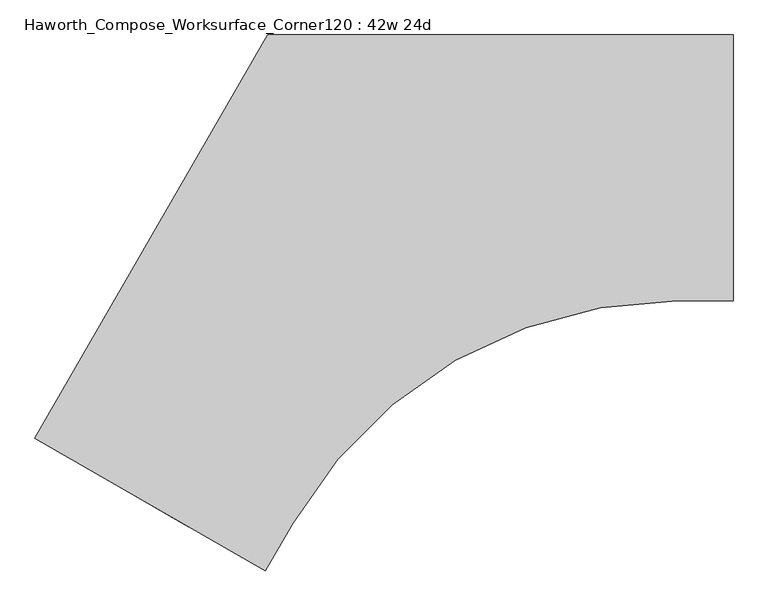
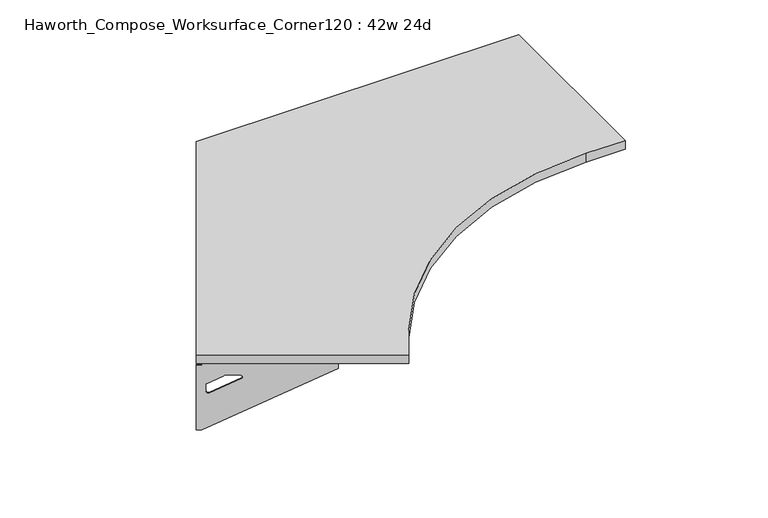
"""IFC4 building model written with IfcOpenShell, lengths in millimetres: furniture geometry, Haworth_Compose_Worksurface_Corner120 : 42w 24d."""

import ifcopenshell
import ifcopenshell.guid

model = None  # the IFC model being written
_history = None  # IfcOwnerHistory: only IFC2X3 demands one
_inside = {}  # id of a spatial element -> (the spatial element, [elements in it])
_under = {}  # id of a project, library or spatial element -> (it, [spatial elements below it])
_declared = {}  # id of a project -> (the project, [libraries it declares])
_typed = {}  # id of a type object -> (the type object, [elements of that type])
_made_of = {}  # id of a material, layer set ... -> (it, [elements and type objects made of it])


def new_model(schema):
    """Start an empty IFC model of exactly this schema.

    Asked for "IFC4X3", IfcOpenShell would pick the latest addendum, in which some entities
    have other attributes; the version numbers below select the first issue.
    IFC2X3 requires an IfcOwnerHistory on every rooted entity: one is made here for all.
    """
    global model, _history
    if schema == "IFC4X3":
        model = ifcopenshell.file(schema_version=(4, 3, 0, 0))
    else:
        model = ifcopenshell.file(schema=schema)
    _inside.clear()
    _under.clear()
    _declared.clear()
    _typed.clear()
    _made_of.clear()
    _history = None
    if model.schema == "IFC2X3":
        org = make("IfcOrganization", Name="unknown")
        user = make(
            "IfcPersonAndOrganization",
            ThePerson=make("IfcPerson", FamilyName="unknown"),
            TheOrganization=org,
        )
        app = make(
            "IfcApplication",
            ApplicationDeveloper=org,
            Version="unknown",
            ApplicationFullName="unknown",
            ApplicationIdentifier="unknown",
        )
        _history = make(
            "IfcOwnerHistory",
            OwningUser=user,
            OwningApplication=app,
            ChangeAction="ADDED",
            CreationDate=0,
        )
    return model


def make(cls, **values):
    """One entity of the class cls with the attributes given. An attribute that is None is left unset."""
    return model.create_entity(
        cls, **{name: value for name, value in values.items() if value is not None}
    )


def rooted(cls, **values):
    """An entity with a GlobalId (a new one), such as an element, a storey or a relation."""
    return make(cls, GlobalId=ifcopenshell.guid.new(), OwnerHistory=_history, **values)


def si_unit(unit_type, name, prefix=None):
    """IfcSIUnit, for example si_unit("LENGTHUNIT", "METRE", prefix="MILLI")."""
    return make("IfcSIUnit", UnitType=unit_type, Prefix=prefix, Name=name)


def assignment(units):
    """IfcUnitAssignment: the units of a project."""
    return None if units is None else make("IfcUnitAssignment", Units=units)


def point(xyz):
    """IfcCartesianPoint."""
    return None if xyz is None else make("IfcCartesianPoint", Coordinates=xyz)


def direction(xyz):
    """IfcDirection."""
    return None if xyz is None else make("IfcDirection", DirectionRatios=xyz)


def frame(location, z_axis=None, x_axis=None):
    """IfcAxis2Placement3D, a coordinate frame: its origin and axes. An axis left out is left unset."""
    return make(
        "IfcAxis2Placement3D",
        Location=point(location),
        Axis=direction(z_axis),
        RefDirection=direction(x_axis),
    )


def frame_2d(location, x_axis=None):
    """IfcAxis2Placement2D, a coordinate frame in the plane: its origin and x axis."""
    return make(
        "IfcAxis2Placement2D", Location=point(location), RefDirection=direction(x_axis)
    )


def origin():
    """The frame at (0, 0, 0) with its axes left unset."""
    return frame((0.0, 0.0, 0.0))


def place(relative_to, where):
    """IfcLocalPlacement: puts the frame where relative to a parent placement (None: the world)."""
    return make(
        "IfcLocalPlacement", PlacementRelTo=relative_to, RelativePlacement=where
    )


def context(
    kind, dimensions, precision=None, world=None, true_north=None, identifier=None
):
    """IfcGeometricRepresentationContext, for example the 3D "Model" context."""
    return make(
        "IfcGeometricRepresentationContext",
        ContextIdentifier=identifier,
        ContextType=kind,
        CoordinateSpaceDimension=dimensions,
        Precision=precision,
        WorldCoordinateSystem=world,
        TrueNorth=true_north,
    )


def project(units=None, contexts=None):
    """IfcProject with its units and contexts."""
    return rooted(
        "IfcProject",
        Name="project",
        RepresentationContexts=contexts,
        UnitsInContext=assignment(units),
    )


def spatial(cls, under=None, at=None, **own):
    """A site, building, storey or space (cls), placed at a placement, below another one or the project."""
    s = rooted(cls, ObjectPlacement=at, **own)
    if under is not None:
        _under.setdefault(under.id(), (under, []))[1].append(s)
    return s


def polyline(points):
    """IfcPolyline through the points."""
    return make("IfcPolyline", Points=[point(p) for p in points])


def circle_curve(where, radius):
    """IfcCircle in the frame where."""
    return make("IfcCircle", Position=where, Radius=radius)


def trimmed(basis, trim1, trim2, sense, master):
    """IfcTrimmedCurve: the piece of a basis curve between two trims."""
    return make(
        "IfcTrimmedCurve",
        BasisCurve=basis,
        Trim1=trim1,
        Trim2=trim2,
        SenseAgreement=sense,
        MasterRepresentation=master,
    )


def segment(curve, same_sense, transition):
    """IfcCompositeCurveSegment."""
    return make(
        "IfcCompositeCurveSegment",
        Transition=transition,
        SameSense=same_sense,
        ParentCurve=curve,
    )


def composite_curve(segments, self_intersect=None):
    """IfcCompositeCurve: segments joined end to end."""
    return make("IfcCompositeCurve", Segments=segments, SelfIntersect=self_intersect)


def outline(outer, holes=None, kind="AREA"):
    """IfcArbitraryClosedProfileDef: a profile drawn as a closed curve; with holes, ...WithVoids."""
    if holes is None:
        return make("IfcArbitraryClosedProfileDef", ProfileType=kind, OuterCurve=outer)
    return make(
        "IfcArbitraryProfileDefWithVoids",
        ProfileType=kind,
        OuterCurve=outer,
        InnerCurves=holes,
    )


def extrude(swept, where, along, depth):
    """IfcExtrudedAreaSolid: the profile swept, set in the frame where, extruded along a direction by depth."""
    return make(
        "IfcExtrudedAreaSolid",
        SweptArea=swept,
        Position=where,
        ExtrudedDirection=direction(along),
        Depth=depth,
    )


def shape(context_of_items, identifier, shape_type, items):
    """IfcShapeRepresentation: the items that make up one representation, for example the "Body"."""
    return make(
        "IfcShapeRepresentation",
        ContextOfItems=context_of_items,
        RepresentationIdentifier=identifier,
        RepresentationType=shape_type,
        Items=items,
    )


def source(mapping_origin, context_of_items, identifier, shape_type, items):
    """IfcRepresentationMap: a shape defined once, which mapped items show again and again."""
    return make(
        "IfcRepresentationMap",
        MappingOrigin=mapping_origin,
        MappedRepresentation=shape(context_of_items, identifier, shape_type, items),
    )


def transform(
    local_origin,
    x_axis=None,
    y_axis=None,
    z_axis=None,
    scale=None,
    scale2=None,
    scale3=None,
    uniform=True,
):
    """IfcCartesianTransformationOperator3D, or its non-uniform kind. x_axis, y_axis, z_axis: its Axis1, 2, 3."""
    if uniform:
        return make(
            "IfcCartesianTransformationOperator3D",
            Axis1=direction(x_axis),
            Axis2=direction(y_axis),
            LocalOrigin=point(local_origin),
            Scale=scale,
            Axis3=direction(z_axis),
        )
    return make(
        "IfcCartesianTransformationOperator3DnonUniform",
        Axis1=direction(x_axis),
        Axis2=direction(y_axis),
        LocalOrigin=point(local_origin),
        Scale=scale,
        Axis3=direction(z_axis),
        Scale2=scale2,
        Scale3=scale3,
    )


def mapped(mapping_source, mapping_target):
    """IfcMappedItem: shows the shape of a source again, moved by a transform."""
    return make(
        "IfcMappedItem", MappingSource=mapping_source, MappingTarget=mapping_target
    )


def made_of(thing, what):
    """Note that an element or type object is made of a material, layer set ...; save() writes the relation."""
    if what is not None:
        _made_of.setdefault(what.id(), (what, []))[1].append(thing)
    return thing


def element(
    cls,
    number,
    at=None,
    inside=None,
    cuts=None,
    type_object=None,
    material=None,
    context=None,
    identifier="Body",
    shape_type=None,
    held_by="IfcProductDefinitionShape",
    body=None,
    shapes=None,
    **own,
):
    """One element of the class cls, such as IfcWall. Its Tag is "e" and its number.

    at: its placement. inside: the storey or other place that contains it. cuts: it is an
    opening in that element (IfcRelVoidsElement). A single representation is given by context,
    identifier, shape_type and body (its items); several are given by shapes. held_by: the class
    of the entity that holds the representations. save() writes the other relations.
    """
    e = rooted(cls, Tag="e%d" % number, ObjectPlacement=at, **own)
    if body is not None:
        shapes = [shape(context, identifier, shape_type, body)]
    if shapes is not None:
        e.Representation = make(held_by, Representations=shapes)
    if inside is not None:
        _inside.setdefault(inside.id(), (inside, []))[1].append(e)
    if cuts is not None:
        rooted(
            "IfcRelVoidsElement", RelatingBuildingElement=cuts, RelatedOpeningElement=e
        )
    if type_object is not None:
        _typed.setdefault(type_object.id(), (type_object, []))[1].append(e)
    return made_of(e, material)


def aggregate(whole, parts):
    """IfcRelAggregates: a whole, such as a stair, and the parts it consists of."""
    return rooted("IfcRelAggregates", RelatingObject=whole, RelatedObjects=parts)


def save(model, path):
    """Write the relations noted so far, then the file.

    IfcRelAggregates (storeys below a building ...), IfcRelContainedInSpatialStructure (elements
    in a storey), IfcRelDefinesByType, IfcRelAssociatesMaterial and IfcRelDeclares: one each for
    every whole, place, type object, material and project.
    """
    for whole, parts in _under.values():
        aggregate(whole, parts)
    for where, things in _inside.values():
        rooted(
            "IfcRelContainedInSpatialStructure",
            RelatedElements=things,
            RelatingStructure=where,
        )
    for kind, things in _typed.values():
        rooted("IfcRelDefinesByType", RelatedObjects=things, RelatingType=kind)
    for what, things in _made_of.values():
        rooted("IfcRelAssociatesMaterial", RelatedObjects=things, RelatingMaterial=what)
    for by, libraries in _declared.values():
        rooted("IfcRelDeclares", RelatingContext=by, RelatedDefinitions=libraries)
    model.write(path)


def plane_surface(at):
    """IfcPlane: the flat surface through the origin of the frame at, square to its z axis."""
    return make("IfcPlane", Position=at)


def revolved_surface(curve, axis_point, axis_direction):
    """IfcSurfaceOfRevolution: the curve turned about the line through axis_point along axis_direction."""
    return make(
        "IfcSurfaceOfRevolution",
        SweptCurve=make("IfcArbitraryOpenProfileDef", ProfileType="CURVE", Curve=curve),
        AxisPosition=make("IfcAxis1Placement", Location=point(axis_point), Axis=direction(axis_direction)),
    )


def advanced_brep(points, edges, surfaces, faces):
    """IfcAdvancedBrep: a solid bounded by faces that lie on surfaces and meet in shared edges.

    An edge is (start, end): straight between two places in points (the first is 0);
    or (start, end, curve); or (start, end, curve, False) where it runs against its curve.
    A face is (place in surfaces, loops), or (place, loops, False) where it looks against
    its surface's normal. A loop lists edges by number (the first is 1), with a minus sign
    where the edge is run from its end to its start. The first loop is the outer one.
    """
    corners = [point(p) for p in points]
    vertices = [make("IfcVertexPoint", VertexGeometry=c) for c in corners]
    made = []
    for start, end, *more in edges:
        made.append(
            make(
                "IfcEdgeCurve",
                EdgeStart=vertices[start],
                EdgeEnd=vertices[end],
                EdgeGeometry=more[0] if more else make("IfcPolyline", Points=[corners[start], corners[end]]),
                SameSense=more[1] if len(more) > 1 else True,
            )
        )
    hull = []
    for where, loops, *sense in faces:
        bounds = []
        for j, loop in enumerate(loops):
            ring = [make("IfcOrientedEdge", EdgeElement=made[abs(k) - 1], Orientation=k > 0) for k in loop]
            bounds.append(
                make(
                    "IfcFaceOuterBound" if j == 0 else "IfcFaceBound",
                    Bound=make("IfcEdgeLoop", EdgeList=ring),
                    Orientation=True,
                )
            )
        hull.append(make("IfcAdvancedFace", Bounds=bounds, FaceSurface=surfaces[where], SameSense=sense[0] if sense else True))
    return make("IfcAdvancedBrep", Outer=make("IfcClosedShell", CfsFaces=hull))


def haworth_compose_worksurface_corner120_42w_24d_8da39d8a(model_context):
    return source(origin(), model_context, "Body", "SolidModel", [
        advanced_brep(
        [(302.41875, 304.8, 473.86875), (302.41875, 288.925, 473.86875), (302.41875, -101.6, 690.1317568), (302.41875, -101.6, 702.46875), (302.41875, 288.925, 702.46875), (302.41875, 304.8, 702.46875), (302.41875, 221.490072, 664.36875), (302.41875, 177.8355284, 664.36875), (302.41875, 175.1564235, 654.7830539), (302.41875, 266.8776173, 603.9901439), (302.41875, 276.225, 609.5881969), (302.41875, 276.225, 633.0985246), (302.41875, 274.4730055, 635.9367776), (302.41875, 224.5663437, 663.5738425), (304.8, 304.8, 473.86875), (304.8, 304.8, 702.46875), (304.8, 288.925, 702.46875), (304.8, 288.925, 704.85), (304.8, -101.6, 704.85), (304.8, -101.6, 690.1317568), (304.8, 288.925, 473.86875), (304.8, 221.490072, 664.36875), (304.8, 224.5663437, 663.5738425), (304.8, 274.4730055, 635.9367776), (304.8, 276.225, 633.0985246), (304.8, 276.225, 609.5881969), (304.8, 266.8776173, 603.9901439), (304.8, 175.1564235, 654.7830539), (304.8, 177.8355284, 664.36875), (263.525, -101.6, 704.85), (263.525, -101.6, 702.46875), (263.525, 288.925, 702.46875), (263.525, 288.925, 704.85)],
        [
            (0, 1),
            (1, 2),
            (2, 3),
            (3, 4),
            (4, 5),
            (5, 0),
            (6, 7),
            (7, 8, circle_curve(frame((302.41875, 177.8355284, 659.2015106), z_axis=(1.0, 0.0, 0.0), x_axis=(0.0, -1.0, 0.0)), 5.1672394)),
            (8, 9),
            (9, 10, circle_curve(frame((302.41875, 269.875, 609.5881969), z_axis=(1.0, 0.0, 0.0), x_axis=(0.0, -1.0, 0.0)), 6.35)),
            (10, 11),
            (11, 12, circle_curve(frame((302.41875, 273.05, 633.0985246), z_axis=(1.0, 0.0, 0.0), x_axis=(0.0, -1.0, 0.0)), 3.175)),
            (12, 13),
            (13, 6, circle_curve(frame((302.41875, 221.490072, 658.01875), z_axis=(1.0, 0.0, 0.0), x_axis=(0.0, -1.0, 0.0)), 6.35)),
            (14, 15),
            (15, 16),
            (16, 17),
            (17, 18),
            (18, 19),
            (19, 20),
            (20, 14),
            (21, 22, circle_curve(frame((304.8, 221.490072, 658.01875), z_axis=(-1.0, 0.0, 0.0), x_axis=(0.0, -1.0, 0.0)), 6.35)),
            (22, 23),
            (23, 24, circle_curve(frame((304.8, 273.05, 633.0985246), z_axis=(-1.0, 0.0, 0.0), x_axis=(0.0, -1.0, 0.0)), 3.175)),
            (24, 25),
            (25, 26, circle_curve(frame((304.8, 269.875, 609.5881969), z_axis=(-1.0, 0.0, 0.0), x_axis=(0.0, -1.0, 0.0)), 6.35)),
            (26, 27),
            (27, 28, circle_curve(frame((304.8, 177.8355284, 659.2015106), z_axis=(-1.0, 0.0, 0.0), x_axis=(0.0, -1.0, 0.0)), 5.1672394)),
            (28, 21),
            (4, 16),
            (15, 5),
            (14, 0),
            (20, 1),
            (19, 2),
            (18, 29),
            (29, 30),
            (30, 3),
            (6, 21),
            (28, 7),
            (9, 26),
            (25, 10),
            (24, 11),
            (23, 12),
            (27, 8),
            (31, 4),
            (30, 31),
            (32, 29),
            (17, 32),
            (31, 32),
            (22, 13),
        ],
        [
            plane_surface(frame((302.41875, 304.8, 473.86875), z_axis=(-1.0, 0.0, 0.0), x_axis=(0.0, 1.0, 0.0))),
            plane_surface(frame((304.8, 304.8, 473.86875), z_axis=(1.0, 0.0, 0.0), x_axis=(0.0, -1.0, 0.0))),
            plane_surface(frame((304.8, -101.6, 702.46875), z_axis=(0.0, 0.0, 1.0), x_axis=(-1.0, 0.0, 0.0))),
            plane_surface(frame((304.8, 304.8, 702.46875), z_axis=(0.0, 1.0, 0.0), x_axis=(-1.0, 0.0, 0.0))),
            plane_surface(frame((304.8, 304.8, 473.86875), z_axis=(0.0, 0.0, -1.0), x_axis=(-1.0, 0.0, 0.0))),
            plane_surface(frame((304.8, 288.925, 473.86875), z_axis=(0.0, -0.4844522351345575, -0.8748177135112957), x_axis=(-1.0, 0.0, 0.0))),
            plane_surface(frame((304.8, -101.6, 690.1317568), z_axis=(0.0, -1.0, 0.0), x_axis=(-1.0, 0.0, 0.0))),
            plane_surface(frame((304.8, 221.490072, 664.36875), z_axis=(0.0, 0.0, -1.0), x_axis=(-1.0, 0.0, 0.0))),
            revolved_surface(polyline([(302.41875, 263.525, 609.5881969), (304.8, 263.525, 609.5881969)]), (304.8, 269.875, 609.5881969), (-1.0, 0.0, 0.0)),
            plane_surface(frame((304.8, 276.225, 609.5881969), z_axis=(0.0, -1.0, 0.0), x_axis=(-1.0, 0.0, 0.0))),
            revolved_surface(polyline([(302.41875, 269.875, 633.0985246), (304.8, 269.875, 633.0985246)]), (304.8, 273.05, 633.0985246), (-1.0, 0.0, 0.0)),
            revolved_surface(polyline([(302.41875, 172.668289, 659.2015106), (304.8, 172.668289, 659.2015106)]), (304.8, 177.8355284, 659.2015106), (-1.0, 0.0, 0.0)),
            plane_surface(frame((304.8, 288.925, 702.46875), z_axis=(0.0, 0.0, -1.0), x_axis=(-1.0, 0.0, 0.0))),
            plane_surface(frame((304.8, 288.925, 704.85), z_axis=(0.0, 0.0, 1.0), x_axis=(1.0, 0.0, 0.0))),
            plane_surface(frame((263.525, 288.925, 704.85), z_axis=(0.0, 1.0, 0.0), x_axis=(0.0, 0.0, -1.0))),
            plane_surface(frame((263.525, -101.6, 704.85), z_axis=(-1.0, 0.0, 0.0), x_axis=(0.0, 0.0, -1.0))),
            plane_surface(frame((304.8, 175.1564235, 654.7830539), z_axis=(0.0, 0.4844522351341526, 0.8748177135115199), x_axis=(-1.0, 0.0, 0.0))),
            plane_surface(frame((304.8, 274.4730055, 635.9367776), z_axis=(0.0, -0.48445223513456226, -0.874817713511293), x_axis=(-1.0, 0.0, 0.0))),
            revolved_surface(polyline([(302.41875, 215.140072, 658.01875), (304.8, 215.140072, 658.01875)]), (304.8, 221.490072, 658.01875), (-1.0, 0.0, 0.0)),
        ],
        [
            (0, [[1, 2, 3, 4, 5, 6], [7, 8, 9, 10, 11, 12, 13, 14]]),
            (1, [[15, 16, 17, 18, 19, 20, 21], [22, 23, 24, 25, 26, 27, 28, 29]]),
            (2, [[-5, 30, -16, 31]]),
            (3, [[-31, -15, 32, -6]]),
            (4, [[-32, -21, 33, -1]]),
            (5, [[-33, -20, 34, -2]]),
            (6, [[-34, -19, 35, 36, 37, -3]]),
            (7, [[38, -29, 39, -7]]),
            (8, [[40, -26, 41, -10]]),
            (9, [[-41, -25, 42, -11]]),
            (10, [[-42, -24, 43, -12]]),
            (11, [[-39, -28, 44, -8]]),
            (12, [[45, -4, -37, 46]]),
            (13, [[47, -35, -18, 48]]),
            (14, [[-17, -30, -45, 49, -48]]),
            (15, [[-36, -47, -49, -46]]),
            (16, [[-44, -27, -40, -9]]),
            (17, [[-43, -23, 50, -13]]),
            (18, [[-50, -22, -38, -14]]),
        ],
    ),
        advanced_brep(
        [(-1294.209375, -617.0136778, 473.86875), (-1294.209375, -617.0136778, 702.46875), (-1280.4612217, -624.9511778, 702.46875), (-942.2566509, -820.2136778, 702.46875), (-942.2566509, -820.2136778, 690.1317568), (-1280.4612217, -624.9511778, 473.86875), (-1222.060861, -658.6686418, 664.36875), (-1224.7249904, -657.1305059, 663.5738425), (-1267.9454274, -632.177175, 635.9367776), (-1269.4626991, -631.3011778, 633.0985246), (-1269.4626991, -631.3011778, 609.5881969), (-1261.3676282, -635.9748691, 603.9901439), (-1181.9347443, -681.835466, 654.7830539), (-1184.2549172, -680.4959136, 664.36875), (-1295.4, -619.0759008, 473.86875), (-1281.6518467, -627.0134008, 473.86875), (-943.4472759, -822.2759008, 690.1317568), (-943.4472759, -822.2759008, 704.85), (-1281.6518467, -627.0134008, 704.85), (-1281.6518467, -627.0134008, 702.46875), (-1295.4, -619.0759008, 702.46875), (-1223.251486, -660.7308648, 664.36875), (-1185.4455422, -682.5581365, 664.36875), (-1183.1253693, -683.897689, 654.7830539), (-1262.5582532, -638.0370921, 603.9901439), (-1270.6533241, -633.3634008, 609.5881969), (-1270.6533241, -633.3634008, 633.0985246), (-1269.1360524, -634.239398, 635.9367776), (-1225.9156154, -659.1927289, 663.5738425), (-922.8097759, -786.5307022, 702.46875), (-922.8097759, -786.5307022, 704.85), (-1261.0143467, -591.2682022, 702.46875), (-1261.0143467, -591.2682022, 704.85)],
        [
            (0, 1),
            (1, 2),
            (2, 3),
            (3, 4),
            (4, 5),
            (5, 0),
            (6, 7, circle_curve(frame((-1222.060861, -658.6686418, 658.01875), z_axis=(-0.5000000000000026, -0.8660254037844374, 0.0), x_axis=(0.8660254037844372, -0.5000000000000024, 0.0)), 6.35)),
            (7, 8),
            (8, 9, circle_curve(frame((-1266.7130684, -632.8886778, 633.0985246), z_axis=(-0.5000000000000026, -0.8660254037844374, 0.0), x_axis=(0.8660254037844372, -0.5000000000000024, 0.0)), 3.175)),
            (9, 10),
            (10, 11, circle_curve(frame((-1263.9634378, -634.4761778, 609.5881969), z_axis=(-0.5000000000000026, -0.8660254037844374, 0.0), x_axis=(0.8660254037844372, -0.5000000000000024, 0.0)), 6.35)),
            (11, 12),
            (12, 13, circle_curve(frame((-1184.2549172, -680.4959136, 659.2015106), z_axis=(-0.5000000000000026, -0.8660254037844374, 0.0), x_axis=(0.8660254037844372, -0.5000000000000024, 0.0)), 5.1672394)),
            (13, 6),
            (14, 15),
            (15, 16),
            (16, 17),
            (17, 18),
            (18, 19),
            (19, 20),
            (20, 14),
            (21, 22),
            (22, 23, circle_curve(frame((-1185.4455422, -682.5581365, 659.2015106), z_axis=(0.5000000000000026, 0.8660254037844374, 0.0), x_axis=(0.8660254037844372, -0.5000000000000024, 0.0)), 5.1672394)),
            (23, 24),
            (24, 25, circle_curve(frame((-1265.1540628, -636.5384008, 609.5881969), z_axis=(0.5000000000000026, 0.8660254037844374, 0.0), x_axis=(0.8660254037844372, -0.5000000000000024, 0.0)), 6.35)),
            (25, 26),
            (26, 27, circle_curve(frame((-1267.9036934, -634.9509008, 633.0985246), z_axis=(0.5000000000000026, 0.8660254037844374, 0.0), x_axis=(0.8660254037844372, -0.5000000000000024, 0.0)), 3.175)),
            (27, 28),
            (28, 21, circle_curve(frame((-1223.251486, -660.7308648, 658.01875), z_axis=(0.5000000000000026, 0.8660254037844374, 0.0), x_axis=(0.8660254037844372, -0.5000000000000024, 0.0)), 6.35)),
            (1, 20),
            (19, 2),
            (0, 14),
            (5, 15),
            (4, 16),
            (3, 29),
            (29, 30),
            (30, 17),
            (13, 22),
            (21, 6),
            (10, 25),
            (24, 11),
            (9, 26),
            (8, 27),
            (12, 23),
            (31, 29),
            (2, 31),
            (32, 18),
            (30, 32),
            (32, 31),
            (7, 28),
        ],
        [
            plane_surface(frame((-1294.209375, -617.0136778, 473.86875), z_axis=(0.5000000000000026, 0.8660254037844373, 0.0), x_axis=(-0.8660254037844373, 0.5000000000000026, 0.0))),
            plane_surface(frame((-1295.4, -619.0759008, 473.86875), z_axis=(-0.5000000000000026, -0.8660254037844373, 0.0), x_axis=(0.8660254037844373, -0.5000000000000026, 0.0))),
            plane_surface(frame((-943.4472759, -822.2759008, 702.46875), z_axis=(0.0, 0.0, 1.0), x_axis=(0.5000000000000011, 0.866025403784438, 0.0))),
            plane_surface(frame((-1295.4, -619.0759008, 702.46875), z_axis=(-0.866025403784438, 0.5000000000000011, 0.0), x_axis=(0.5000000000000011, 0.866025403784438, 0.0))),
            plane_surface(frame((-1295.4, -619.0759008, 473.86875), z_axis=(0.0, 0.0, -1.0), x_axis=(0.5000000000000011, 0.866025403784438, 0.0))),
            plane_surface(frame((-1281.6518467, -627.0134008, 473.86875), z_axis=(0.41954794254667943, -0.24222611756727808, -0.8748177135112957), x_axis=(0.5000000000000011, 0.866025403784438, 0.0))),
            plane_surface(frame((-943.4472759, -822.2759008, 690.1317568), z_axis=(0.866025403784438, -0.5000000000000011, 0.0), x_axis=(0.5000000000000011, 0.866025403784438, 0.0))),
            plane_surface(frame((-1223.251486, -660.7308648, 664.36875), z_axis=(0.0, 0.0, -1.0), x_axis=(0.5000000000000011, 0.866025403784438, 0.0))),
            revolved_surface(polyline([(-1258.46417645195, -637.6511777483158, 609.5881969), (-1259.6548014859688, -639.7134008, 609.5881969)]), (-1265.1540628, -636.5384008, 609.5881969), (0.5000000000000024, 0.8660254037844372, 0.0)),
            plane_surface(frame((-1270.6533241, -633.3634008, 609.5881969), z_axis=(0.866025403784438, -0.5000000000000011, 0.0), x_axis=(0.5000000000000011, 0.866025403784438, 0.0))),
            revolved_surface(polyline([(-1263.9634377398502, -634.4761778018095, 633.0985246), (-1265.1540627537306, -636.5384008186128, 633.0985246)]), (-1267.9036934, -634.9509008, 633.0985246), (0.5000000000000024, 0.8660254037844372, 0.0)),
            revolved_surface(polyline([(-1179.7799566313815, -683.0795332405233, 659.2015106), (-1180.9705816345158, -685.1417562387139, 659.2015106)]), (-1185.4455422, -682.5581365, 659.2015106), (0.5000000000000024, 0.8660254037844372, 0.0)),
            plane_surface(frame((-1281.6518467, -627.0134008, 702.46875), z_axis=(0.0, 0.0, -1.0), x_axis=(0.5000000000000011, 0.866025403784438, 0.0))),
            plane_surface(frame((-1281.6518467, -627.0134008, 704.85), z_axis=(0.0, 0.0, 1.0), x_axis=(-0.5000000000000011, -0.866025403784438, 0.0))),
            plane_surface(frame((-1261.0143467, -591.2682022, 704.85), z_axis=(-0.866025403784438, 0.5000000000000011, 0.0), x_axis=(0.0, 0.0, -1.0))),
            plane_surface(frame((-922.8097759, -786.5307022, 704.85), z_axis=(0.5000000000000011, 0.866025403784438, 0.0), x_axis=(0.0, 0.0, -1.0))),
            plane_surface(frame((-1183.1253693, -683.897689, 654.7830539), z_axis=(-0.41954794254632877, 0.24222611756707563, 0.87481771351152), x_axis=(0.5000000000000011, 0.866025403784438, 0.0))),
            plane_surface(frame((-1269.1360524, -634.239398, 635.9367776), z_axis=(0.4195479425466836, -0.24222611756728046, -0.874817713511293), x_axis=(0.5000000000000011, 0.866025403784438, 0.0))),
            revolved_surface(polyline([(-1216.5615996508982, -661.8436417464941, 658.01875), (-1217.752224685969, -663.9058648, 658.01875)]), (-1223.251486, -660.7308648, 658.01875), (0.5000000000000024, 0.8660254037844372, 0.0)),
        ],
        [
            (0, [[1, 2, 3, 4, 5, 6], [7, 8, 9, 10, 11, 12, 13, 14]]),
            (1, [[15, 16, 17, 18, 19, 20, 21], [22, 23, 24, 25, 26, 27, 28, 29]]),
            (2, [[30, -20, 31, -2]]),
            (3, [[-1, 32, -21, -30]]),
            (4, [[-6, 33, -15, -32]]),
            (5, [[-5, 34, -16, -33]]),
            (6, [[-4, 35, 36, 37, -17, -34]]),
            (7, [[-14, 38, -22, 39]]),
            (8, [[-11, 40, -25, 41]]),
            (9, [[-10, 42, -26, -40]]),
            (10, [[-9, 43, -27, -42]]),
            (11, [[-13, 44, -23, -38]]),
            (12, [[45, -35, -3, 46]]),
            (13, [[47, -18, -37, 48]]),
            (14, [[-47, 49, -46, -31, -19]]),
            (15, [[-45, -49, -48, -36]]),
            (16, [[-12, -41, -24, -44]]),
            (17, [[-8, 50, -28, -43]]),
            (18, [[-7, -39, -29, -50]]),
        ],
    ),
        extrude(outline(composite_curve([segment(polyline([(-1295.4, -619.0759008), (-762.0, 304.8), (304.8, 304.8), (304.8, -304.8), (176.5405976, -304.8)]), True, "CONTINUOUS"), segment(trimmed(circle_curve(frame_2d((176.5405976, -1320.8)), 1016.0), [point((176.5405976, -304.8))], [point((-703.3412127, -812.8))], True, "CARTESIAN"), True, "CONTINUOUS"), segment(polyline([(-703.3412127, -812.8), (-767.4709139, -923.8759008), (-1295.4, -619.0759008)]), True, "CONTINUOUS")], self_intersect=False)), frame((0.0, 0.0, 706.4375), z_axis=(0.0, 0.0, 1.0), x_axis=(1.0, 0.0, 0.0)), (0.0, 0.0, 1.0), 30.1625),
    ])


if __name__ == "__main__":
    model = new_model("IFC4")
    model_context = context("Model", 3, world=origin())
    ifc_project = project(units=[si_unit("LENGTHUNIT", "METRE", prefix="MILLI")], contexts=[model_context])
    site = spatial("IfcSite", under=ifc_project)
    building = spatial("IfcBuilding", under=site)
    placement = place(None, origin())
    haworth_compose_worksurface_corner120_42w_24d_shape = haworth_compose_worksurface_corner120_42w_24d_8da39d8a(model_context)
    element("IfcFurniture", 1, ObjectType="Haworth_Compose_Worksurface_Corner120 : 42w 24d", at=placement, inside=building, context=model_context, shape_type="MappedRepresentation", body=[
        mapped(haworth_compose_worksurface_corner120_42w_24d_shape, transform((0.0, 0.0, 0.0), x_axis=(1.0, 0.0, 0.0), y_axis=(0.0, 1.0, 0.0), z_axis=(0.0, 0.0, 1.0))),
    ])
    save(model, "model.ifc")
